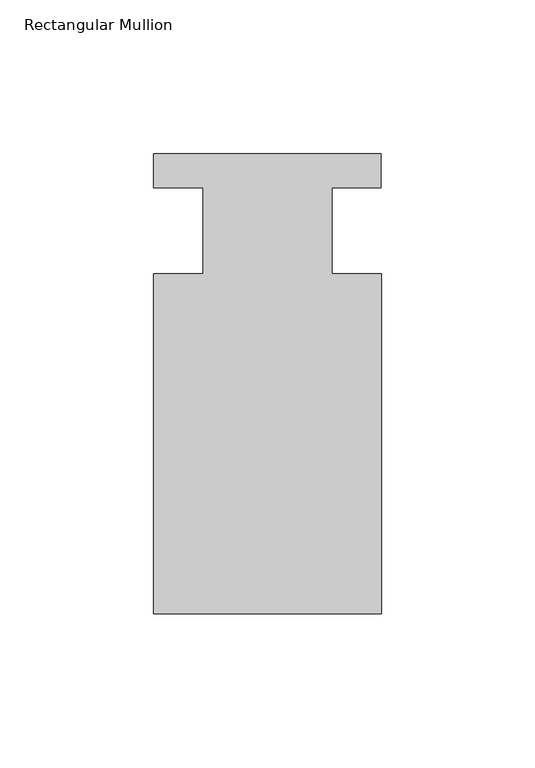
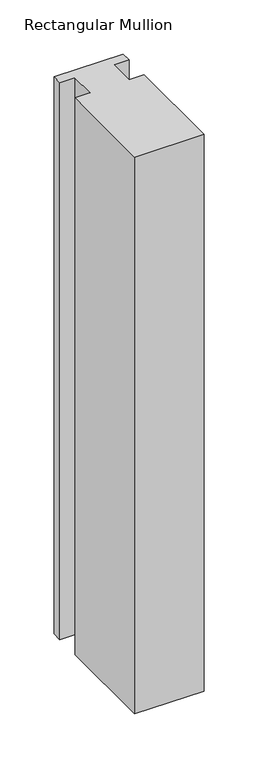
"""IFC4 building model written with IfcOpenShell, lengths in millimetres: member geometry, Rectangular Mullion."""

from ifc_helpers import new_model, si_unit, frame, origin, place, context, project, spatial, polyline, outline, extrude, source, transform, mapped, element, save


def rectangular_mullion_22b1fdf4(model_context):
    return source(origin(), model_context, "Body", "SweptSolid", [
        extrude(outline(polyline([(-20.9800745, -13.9998907), (-20.9800745, 14.0), (-37.0, 14.0), (-37.0, 25.0), (36.9800745, 25.0), (36.9800745, 14.0), (20.9800745, 14.0), (20.9800745, -13.9998907), (37.0, -13.9998907), (37.0, -124.5), (-37.0, -124.5), (-37.0, -13.9998907), (-20.9800745, -13.9998907)])), frame((0.0, 0.0, -629.1672627), z_axis=(0.0, 0.0, 1.0), x_axis=(1.0, 0.0, 0.0)), (0.0, 0.0, 1.0), 629.1672627),
    ])


if __name__ == "__main__":
    model = new_model("IFC4")
    model_context = context("Model", 3, world=origin())
    ifc_project = project(units=[si_unit("LENGTHUNIT", "METRE", prefix="MILLI")], contexts=[model_context])
    site = spatial("IfcSite", under=ifc_project)
    building = spatial("IfcBuilding", under=site)
    placement = place(None, origin())
    rectangular_mullion_shape = rectangular_mullion_22b1fdf4(model_context)
    element("IfcMember", 1, ObjectType="Rectangular Mullion", at=placement, inside=building, context=model_context, shape_type="MappedRepresentation", body=[
        mapped(rectangular_mullion_shape, transform((0.0, 0.0, 0.0), x_axis=(1.0, 0.0, 0.0), y_axis=(0.0, 1.0, 0.0), z_axis=(0.0, 0.0, 1.0))),
    ])
    save(model, "model.ifc")
